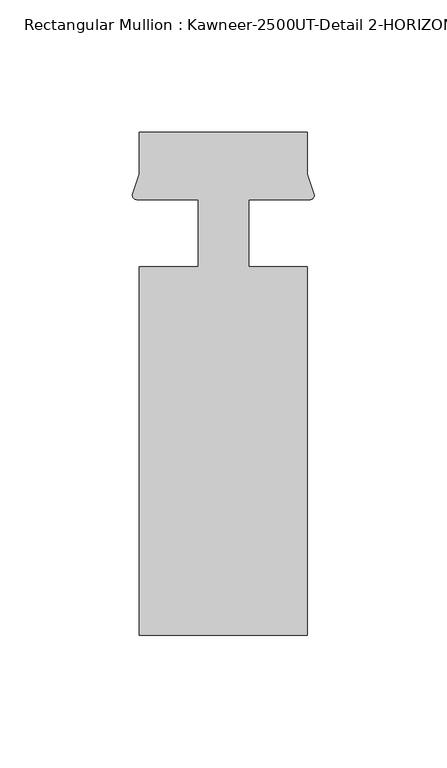
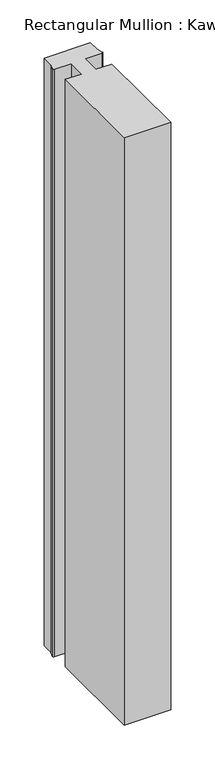
"""IFC4 building model written with IfcOpenShell, lengths in millimetres: member geometry, Rectangular Mullion : Kawneer-2500UT-Detail 2-HORIZONTAL 1 INCH INFILL."""

from ifc_helpers import new_model, si_unit, point, frame, frame_2d, origin, place, context, project, spatial, polyline, circle_curve, trimmed, segment, composite_curve, outline, extrude, source, transform, mapped, element, save


def rectangular_mullion_kawneer_2500ut_detail_2_horizontal_1_a95c8a2c(model_context):
    return source(origin(), model_context, "Body", "SweptSolid", [
        extrude(outline(composite_curve([segment(polyline([(31.75, 25.3880937), (31.75, 9.5131914), (34.4008552, 1.576523)]), True, "CONTINUOUS"), segment(trimmed(circle_curve(frame_2d((32.7012373, 1.6895058)), 1.703369), [point((34.4008552, 1.576523))], [point((32.7841288, -0.0118452))], False, "CARTESIAN"), True, "CONTINUOUS"), segment(trimmed(circle_curve(frame_2d((27.4492482, -461.0197259)), 461.0387479), [point((32.7841288, -0.0118452))], [point((9.525, -0.329539))], True, "CARTESIAN"), True, "CONTINUOUS"), segment(polyline([(9.525, -0.329539), (9.525, -25.4119063), (31.75, -25.4119063), (31.75, -164.6039062), (-31.75, -164.6039063), (-31.75, -25.4119063), (-9.525, -25.4119063), (-9.525, -0.329539)]), True, "CONTINUOUS"), segment(trimmed(circle_curve(frame_2d((-27.4492482, -461.0197259)), 461.0387479), [point((-9.525, -0.329539))], [point((-32.7841288, -0.0118452))], True, "CARTESIAN"), True, "CONTINUOUS"), segment(trimmed(circle_curve(frame_2d((-32.7012373, 1.6895058)), 1.703369), [point((-32.7841288, -0.0118452))], [point((-34.4008552, 1.576523))], False, "CARTESIAN"), True, "CONTINUOUS"), segment(polyline([(-34.4008552, 1.576523), (-31.75, 9.5131914), (-31.75, 25.3880937), (31.75, 25.3880937)]), True, "CONTINUOUS")], self_intersect=False)), frame((0.0, 0.0, -850.8998868), z_axis=(0.0, 0.0, 1.0), x_axis=(1.0, 0.0, 0.0)), (0.0, 0.0, 1.0), 850.8998868),
    ])


if __name__ == "__main__":
    model = new_model("IFC4")
    model_context = context("Model", 3, world=origin())
    ifc_project = project(units=[si_unit("LENGTHUNIT", "METRE", prefix="MILLI")], contexts=[model_context])
    site = spatial("IfcSite", under=ifc_project)
    building = spatial("IfcBuilding", under=site)
    placement = place(None, origin())
    rectangular_mullion_kawneer_2500ut_detail_2_horizontal_1_shape = rectangular_mullion_kawneer_2500ut_detail_2_horizontal_1_a95c8a2c(model_context)
    element("IfcMember", 1, ObjectType="Rectangular Mullion : Kawneer-2500UT-Detail 2-HORIZONTAL 1 INCH INFILL", at=placement, inside=building, context=model_context, shape_type="MappedRepresentation", body=[
        mapped(rectangular_mullion_kawneer_2500ut_detail_2_horizontal_1_shape, transform((0.0, 0.0, 0.0), x_axis=(1.0, 0.0, 0.0), y_axis=(0.0, 1.0, 0.0), z_axis=(0.0, 0.0, 1.0))),
    ])
    save(model, "model.ifc")
